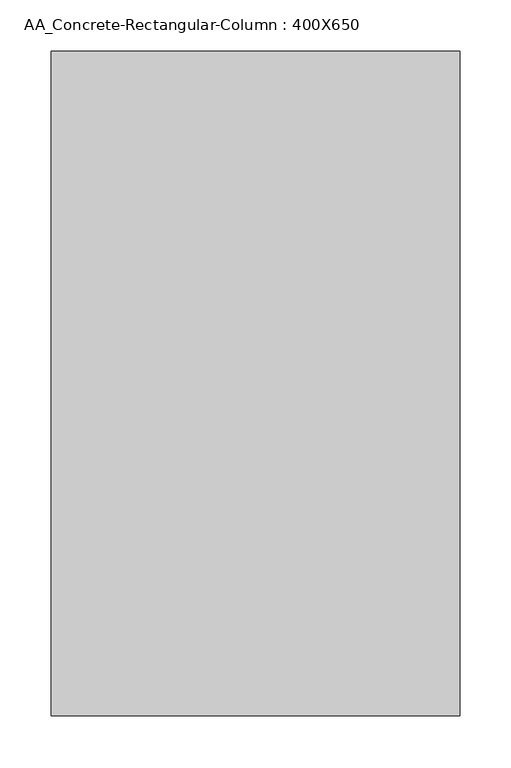
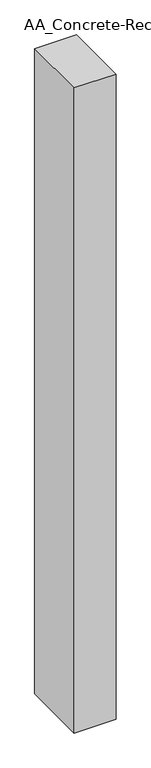
"""IFC4 building model written with IfcOpenShell, lengths in millimetres: column geometry, AA_Concrete-Rectangular-Column : 400X650."""

from ifc_helpers import new_model, si_unit, frame, origin, place, context, project, spatial, polyline, outline, extrude, source, transform, mapped, element, save


def aa_concrete_rectangular_column_400x650_90cd5d0e(model_context):
    return source(origin(), model_context, "Body", "SweptSolid", [
        extrude(outline(polyline([(200.0, 325.0), (200.0, -325.0), (-200.0, -325.0), (-200.0, 325.0), (200.0, 325.0)])), frame((0.0, 0.0, -2500.0), z_axis=(0.0, 0.0, 1.0), x_axis=(1.0, 0.0, 0.0)), (0.0, 0.0, 1.0), 6500.0),
    ])


if __name__ == "__main__":
    model = new_model("IFC4")
    model_context = context("Model", 3, world=origin())
    ifc_project = project(units=[si_unit("LENGTHUNIT", "METRE", prefix="MILLI")], contexts=[model_context])
    site = spatial("IfcSite", under=ifc_project)
    building = spatial("IfcBuilding", under=site)
    placement = place(None, origin())
    aa_concrete_rectangular_column_400x650_shape = aa_concrete_rectangular_column_400x650_90cd5d0e(model_context)
    element("IfcColumn", 1, ObjectType="AA_Concrete-Rectangular-Column : 400X650", at=placement, inside=building, context=model_context, shape_type="MappedRepresentation", body=[
        mapped(aa_concrete_rectangular_column_400x650_shape, transform((0.0, 0.0, 0.0), x_axis=(1.0, 0.0, 0.0), y_axis=(0.0, 1.0, 0.0), z_axis=(0.0, 0.0, 1.0))),
    ])
    save(model, "model.ifc")
